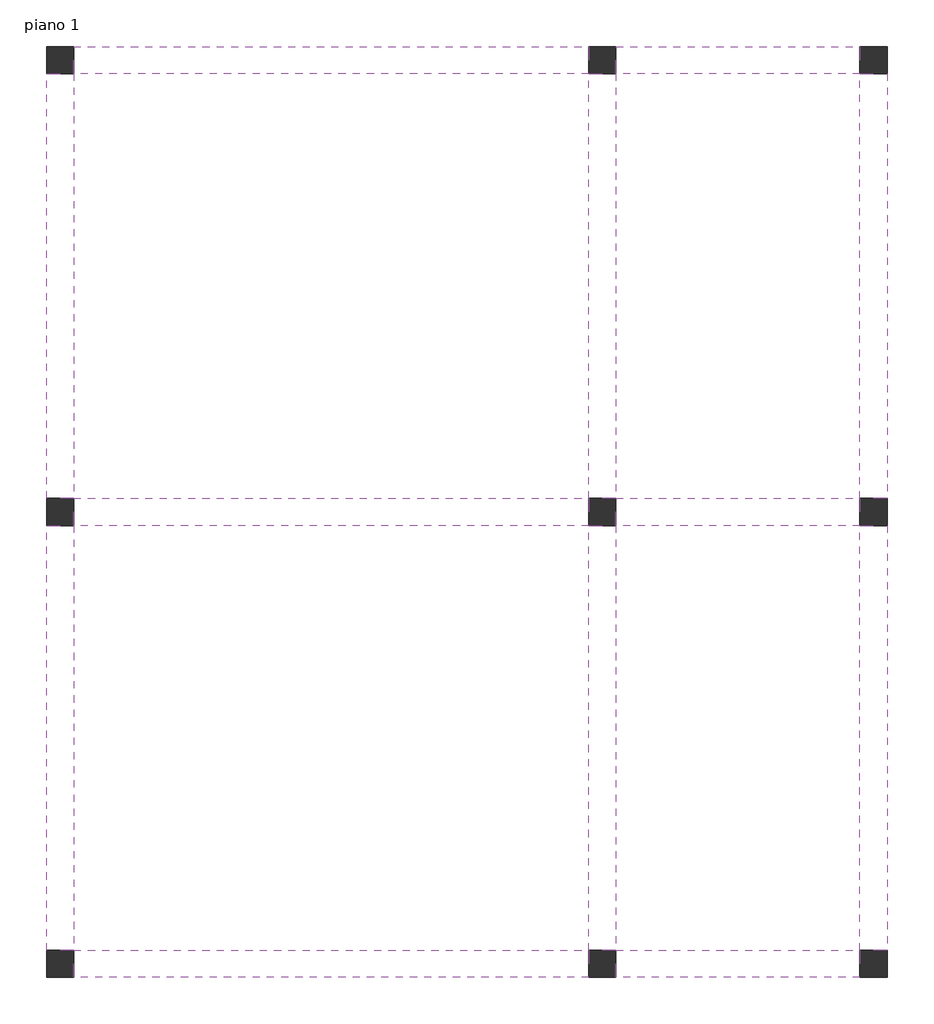
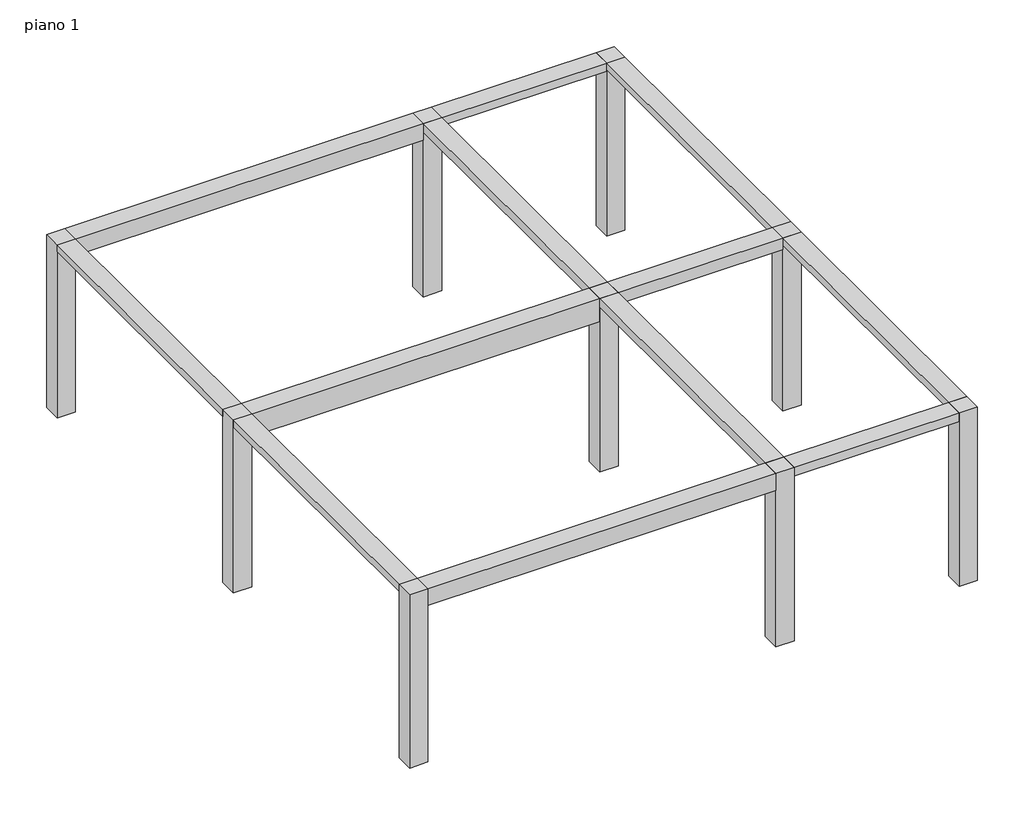
# One storey: 12 beams, 9 columns.
"""IFC4 building model written with IfcOpenShell, lengths in millimetres."""

from ifc_helpers import new_model, si_unit, frame, origin, place, context, project, spatial, polyline, outline, extrude, element, save

model = new_model("IFC4")

# Units and contexts
model_context = context("Model", 3, world=origin())
ifc_project = project(units=[si_unit("LENGTHUNIT", "METRE", prefix="MILLI")], contexts=[model_context])

# Site, building, storey
site = spatial("IfcSite", under=ifc_project)
building = spatial("IfcBuilding", under=site)
storey = spatial("IfcBuildingStorey", under=building, Name="piano 1", Elevation=3000.0)

# Beams
placement = place(None, origin())
element("IfcBeam", 1, at=placement, inside=storey, context=model_context, shape_type="SweptSolid", body=[
    extrude(outline(polyline([(-14352.9918896, -7922.7549787), (-14652.9918896, -7922.7549787), (-14652.9918896, -3222.7549787), (-14352.9918896, -3222.7549787), (-14352.9918896, -7922.7549787)])), frame((0.0, 0.0, 5881.578957), z_axis=(0.0, 0.0, 1.0), x_axis=(1.0, 0.0, 0.0)), (0.0, 0.0, 1.0), 118.421043),
])
element("IfcBeam", 2, at=placement, inside=storey, context=model_context, shape_type="SweptSolid", body=[
    extrude(outline(polyline([(-14352.9918896, -2922.7549787), (-14652.9918896, -2922.7549787), (-14652.9918896, 1777.2450213), (-14352.9918896, 1777.2450213), (-14352.9918896, -2922.7549787)])), frame((0.0, 0.0, 5881.578957), z_axis=(0.0, 0.0, 1.0), x_axis=(1.0, 0.0, 0.0)), (0.0, 0.0, 1.0), 118.421043),
])
element("IfcBeam", 3, at=placement, inside=storey, context=model_context, shape_type="SweptSolid", body=[
    extrude(outline(polyline([(-8352.9918896, -7922.7549787), (-8652.9918896, -7922.7549787), (-8652.9918896, -3222.7549787), (-8352.9918896, -3222.7549787), (-8352.9918896, -7922.7549787)])), frame((0.0, 0.0, 5853.1167736), z_axis=(0.0, 0.0, 1.0), x_axis=(1.0, 0.0, 0.0)), (0.0, 0.0, 1.0), 146.8832264),
])
element("IfcBeam", 4, at=placement, inside=storey, context=model_context, shape_type="SweptSolid", body=[
    extrude(outline(polyline([(-8352.9918896, -2922.7549787), (-8652.9918896, -2922.7549787), (-8652.9918896, 1777.2450213), (-8352.9918896, 1777.2450213), (-8352.9918896, -2922.7549787)])), frame((0.0, 0.0, 5853.1167736), z_axis=(0.0, 0.0, 1.0), x_axis=(1.0, 0.0, 0.0)), (0.0, 0.0, 1.0), 146.8832264),
])
element("IfcBeam", 5, at=placement, inside=storey, context=model_context, shape_type="SweptSolid", body=[
    extrude(outline(polyline([(-5352.9918896, -7922.7549787), (-5652.9918896, -7922.7549787), (-5652.9918896, -3222.7549787), (-5352.9918896, -3222.7549787), (-5352.9918896, -7922.7549787)])), frame((0.0, 0.0, 5881.578957), z_axis=(0.0, 0.0, 1.0), x_axis=(1.0, 0.0, 0.0)), (0.0, 0.0, 1.0), 118.421043),
])
element("IfcBeam", 6, at=placement, inside=storey, context=model_context, shape_type="SweptSolid", body=[
    extrude(outline(polyline([(-5352.9918896, -2922.7549787), (-5652.9918896, -2922.7549787), (-5652.9918896, 1777.2450213), (-5352.9918896, 1777.2450213), (-5352.9918896, -2922.7549787)])), frame((0.0, 0.0, 5881.578957), z_axis=(0.0, 0.0, 1.0), x_axis=(1.0, 0.0, 0.0)), (0.0, 0.0, 1.0), 118.421043),
])
element("IfcBeam", 7, at=placement, inside=storey, context=model_context, shape_type="SweptSolid", body=[
    extrude(outline(polyline([(-8352.9918896, -8222.7549787), (-8352.9918896, -7922.7549787), (-5652.9918896, -7922.7549787), (-5652.9918896, -8222.7549787), (-8352.9918896, -8222.7549787)])), frame((0.0, 0.0, 5856.5348585), z_axis=(0.0, 0.0, 1.0), x_axis=(1.0, 0.0, 0.0)), (0.0, 0.0, 1.0), 143.4651415),
])
element("IfcBeam", 8, at=placement, inside=storey, context=model_context, shape_type="SweptSolid", body=[
    extrude(outline(polyline([(-14352.9918896, -8222.7549787), (-14352.9918896, -7922.7549787), (-8652.9918896, -7922.7549787), (-8652.9918896, -8222.7549787), (-14352.9918896, -8222.7549787)])), frame((0.0, 0.0, 5713.069717), z_axis=(0.0, 0.0, 1.0), x_axis=(1.0, 0.0, 0.0)), (0.0, 0.0, 1.0), 286.930283),
])
element("IfcBeam", 9, at=placement, inside=storey, context=model_context, shape_type="SweptSolid", body=[
    extrude(outline(polyline([(-8352.9918896, -3222.7549787), (-8352.9918896, -2922.7549787), (-5652.9918896, -2922.7549787), (-5652.9918896, -3222.7549787), (-8352.9918896, -3222.7549787)])), frame((0.0, 0.0, 5802.9354726), z_axis=(0.0, 0.0, 1.0), x_axis=(1.0, 0.0, 0.0)), (0.0, 0.0, 1.0), 197.0645274),
])
element("IfcBeam", 10, at=placement, inside=storey, context=model_context, shape_type="SweptSolid", body=[
    extrude(outline(polyline([(-14352.9918896, -3222.7549787), (-14352.9918896, -2922.7549787), (-8652.9918896, -2922.7549787), (-8652.9918896, -3222.7549787), (-14352.9918896, -3222.7549787)])), frame((0.0, 0.0, 5605.8709452), z_axis=(0.0, 0.0, 1.0), x_axis=(1.0, 0.0, 0.0)), (0.0, 0.0, 1.0), 394.1290548),
])
element("IfcBeam", 11, at=placement, inside=storey, context=model_context, shape_type="SweptSolid", body=[
    extrude(outline(polyline([(-8352.9918896, 1777.2450213), (-8352.9918896, 2077.2450213), (-5652.9918896, 2077.2450213), (-5652.9918896, 1777.2450213), (-8352.9918896, 1777.2450213)])), frame((0.0, 0.0, 5856.5348585), z_axis=(0.0, 0.0, 1.0), x_axis=(1.0, 0.0, 0.0)), (0.0, 0.0, 1.0), 143.4651415),
])
element("IfcBeam", 12, at=placement, inside=storey, context=model_context, shape_type="SweptSolid", body=[
    extrude(outline(polyline([(-14352.9918896, 1777.2450213), (-14352.9918896, 2077.2450213), (-8652.9918896, 2077.2450213), (-8652.9918896, 1777.2450213), (-14352.9918896, 1777.2450213)])), frame((0.0, 0.0, 5713.069717), z_axis=(0.0, 0.0, 1.0), x_axis=(1.0, 0.0, 0.0)), (0.0, 0.0, 1.0), 286.930283),
])

# Columns
element("IfcColumn", 13, ObjectType="pilastro CA bis : piano2", at=placement, inside=storey, context=model_context, shape_type="SweptSolid", body=[
    extrude(outline(polyline([(-14652.9918896, -8222.7549787), (-14652.9918896, -7922.7549787), (-14352.9918896, -7922.7549787), (-14352.9918896, -8222.7549787), (-14652.9918896, -8222.7549787)])), frame((0.0, 0.0, 3000.0), z_axis=(0.0, 0.0, 1.0), x_axis=(1.0, 0.0, 0.0)), (0.0, 0.0, 1.0), 3000.0),
])
element("IfcColumn", 14, ObjectType="pilastro CA bis : piano2", at=placement, inside=storey, context=model_context, shape_type="SweptSolid", body=[
    extrude(outline(polyline([(-14652.9918896, -3222.7549787), (-14652.9918896, -2922.7549787), (-14352.9918896, -2922.7549787), (-14352.9918896, -3222.7549787), (-14652.9918896, -3222.7549787)])), frame((0.0, 0.0, 3000.0), z_axis=(0.0, 0.0, 1.0), x_axis=(1.0, 0.0, 0.0)), (0.0, 0.0, 1.0), 3000.0),
])
element("IfcColumn", 15, ObjectType="pilastro CA bis : piano2", at=placement, inside=storey, context=model_context, shape_type="SweptSolid", body=[
    extrude(outline(polyline([(-14652.9918896, 1777.2450213), (-14652.9918896, 2077.2450213), (-14352.9918896, 2077.2450213), (-14352.9918896, 1777.2450213), (-14652.9918896, 1777.2450213)])), frame((0.0, 0.0, 3000.0), z_axis=(0.0, 0.0, 1.0), x_axis=(1.0, 0.0, 0.0)), (0.0, 0.0, 1.0), 3000.0),
])
element("IfcColumn", 16, ObjectType="pilastro CA bis : piano2", at=placement, inside=storey, context=model_context, shape_type="SweptSolid", body=[
    extrude(outline(polyline([(-8652.9918896, -8222.7549787), (-8652.9918896, -7922.7549787), (-8352.9918896, -7922.7549787), (-8352.9918896, -8222.7549787), (-8652.9918896, -8222.7549787)])), frame((0.0, 0.0, 3000.0), z_axis=(0.0, 0.0, 1.0), x_axis=(1.0, 0.0, 0.0)), (0.0, 0.0, 1.0), 3000.0),
])
element("IfcColumn", 17, ObjectType="pilastro CA bis : piano2", at=placement, inside=storey, context=model_context, shape_type="SweptSolid", body=[
    extrude(outline(polyline([(-8652.9918896, -3222.7549787), (-8652.9918896, -2922.7549787), (-8352.9918896, -2922.7549787), (-8352.9918896, -3222.7549787), (-8652.9918896, -3222.7549787)])), frame((0.0, 0.0, 3000.0), z_axis=(0.0, 0.0, 1.0), x_axis=(1.0, 0.0, 0.0)), (0.0, 0.0, 1.0), 3000.0),
])
element("IfcColumn", 18, ObjectType="pilastro CA bis : piano2", at=placement, inside=storey, context=model_context, shape_type="SweptSolid", body=[
    extrude(outline(polyline([(-8652.9918896, 1777.2450213), (-8652.9918896, 2077.2450213), (-8352.9918896, 2077.2450213), (-8352.9918896, 1777.2450213), (-8652.9918896, 1777.2450213)])), frame((0.0, 0.0, 3000.0), z_axis=(0.0, 0.0, 1.0), x_axis=(1.0, 0.0, 0.0)), (0.0, 0.0, 1.0), 3000.0),
])
element("IfcColumn", 19, ObjectType="pilastro CA bis : piano2", at=placement, inside=storey, context=model_context, shape_type="SweptSolid", body=[
    extrude(outline(polyline([(-5652.9918896, -8222.7549787), (-5652.9918896, -7922.7549787), (-5352.9918896, -7922.7549787), (-5352.9918896, -8222.7549787), (-5652.9918896, -8222.7549787)])), frame((0.0, 0.0, 3000.0), z_axis=(0.0, 0.0, 1.0), x_axis=(1.0, 0.0, 0.0)), (0.0, 0.0, 1.0), 3000.0),
])
element("IfcColumn", 20, ObjectType="pilastro CA bis : piano2", at=placement, inside=storey, context=model_context, shape_type="SweptSolid", body=[
    extrude(outline(polyline([(-5652.9918896, -3222.7549787), (-5652.9918896, -2922.7549787), (-5352.9918896, -2922.7549787), (-5352.9918896, -3222.7549787), (-5652.9918896, -3222.7549787)])), frame((0.0, 0.0, 3000.0), z_axis=(0.0, 0.0, 1.0), x_axis=(1.0, 0.0, 0.0)), (0.0, 0.0, 1.0), 3000.0),
])
element("IfcColumn", 21, ObjectType="pilastro CA bis : piano2", at=placement, inside=storey, context=model_context, shape_type="SweptSolid", body=[
    extrude(outline(polyline([(-5652.9918896, 1777.2450213), (-5652.9918896, 2077.2450213), (-5352.9918896, 2077.2450213), (-5352.9918896, 1777.2450213), (-5652.9918896, 1777.2450213)])), frame((0.0, 0.0, 3000.0), z_axis=(0.0, 0.0, 1.0), x_axis=(1.0, 0.0, 0.0)), (0.0, 0.0, 1.0), 3000.0),
])

save(model, "model.ifc")
